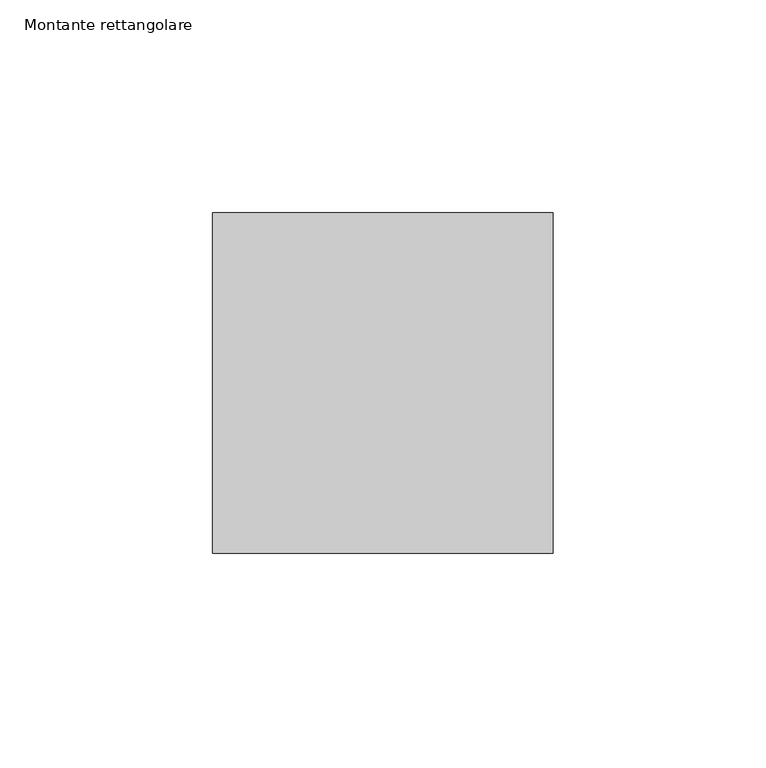
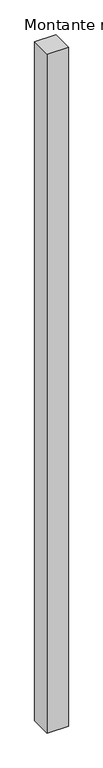
"""IFC4 building model written with IfcOpenShell, lengths in millimetres: member geometry, Montante rettangolare."""

from ifc_helpers import new_model, si_unit, frame, origin, place, context, project, spatial, polyline, outline, extrude, source, transform, mapped, element, save


def montante_rettangolare_68e5a4ff(model_context):
    return source(origin(), model_context, "Body", "SweptSolid", [
        extrude(outline(polyline([(0.0, 40.0), (0.0, -40.0), (-80.0, -40.0), (-80.0, 40.0), (0.0, 40.0)])), frame((0.0, 0.0, -2690.5985952), z_axis=(0.0, 0.0, 1.0), x_axis=(1.0, 0.0, 0.0)), (0.0, 0.0, 1.0), 2690.5985952),
    ])


if __name__ == "__main__":
    model = new_model("IFC4")
    model_context = context("Model", 3, world=origin())
    ifc_project = project(units=[si_unit("LENGTHUNIT", "METRE", prefix="MILLI")], contexts=[model_context])
    site = spatial("IfcSite", under=ifc_project)
    building = spatial("IfcBuilding", under=site)
    placement = place(None, origin())
    montante_rettangolare_shape = montante_rettangolare_68e5a4ff(model_context)
    element("IfcMember", 1, ObjectType="Montante rettangolare", at=placement, inside=building, context=model_context, shape_type="MappedRepresentation", body=[
        mapped(montante_rettangolare_shape, transform((0.0, 0.0, 0.0), x_axis=(1.0, 0.0, 0.0), y_axis=(0.0, 1.0, 0.0), z_axis=(0.0, 0.0, 1.0))),
    ])
    save(model, "model.ifc")
